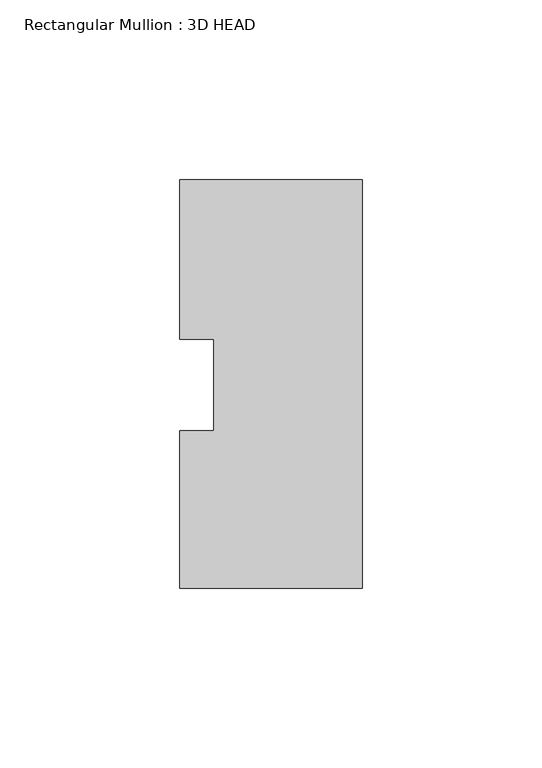
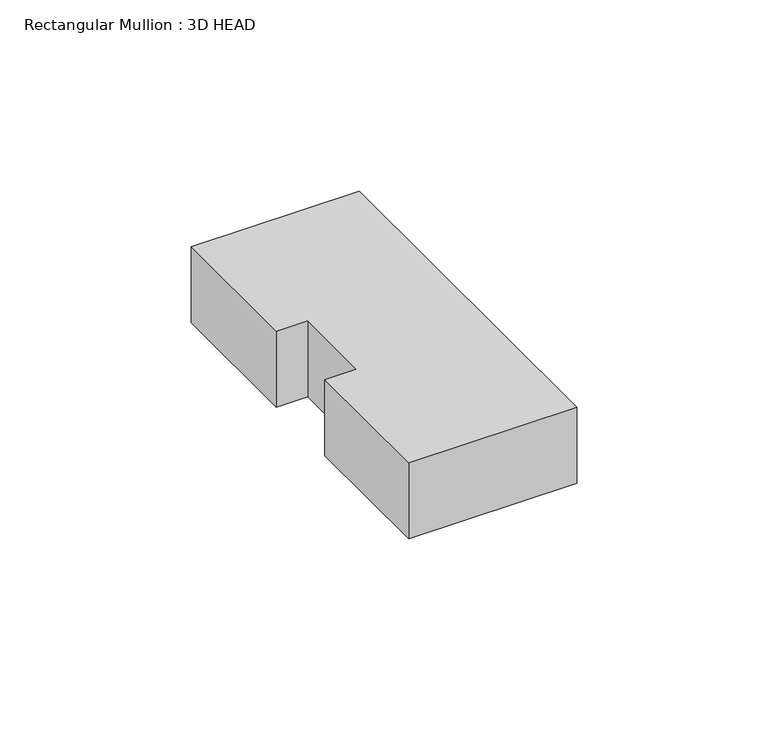
"""IFC4 building model written with IfcOpenShell, lengths in millimetres: member geometry, Rectangular Mullion : 3D HEAD."""

from ifc_helpers import new_model, si_unit, frame, origin, place, context, project, spatial, polyline, outline, extrude, source, transform, mapped, element, save


def rectangular_mullion_3d_head_11d094c9(model_context):
    return source(origin(), model_context, "Body", "SweptSolid", [
        extrude(outline(polyline([(0.0, -56.4681052), (-50.8, -56.4681052), (-50.8, -12.6827714), (-41.275, -12.6827714), (-41.275, 12.8118553), (-50.8, 12.8118553), (-50.8, 57.2618553), (0.0, 57.2618553), (0.0, -56.4681052)])), frame((0.0, 0.0, -24.2134352), z_axis=(0.0, 0.0, 1.0), x_axis=(1.0, 0.0, 0.0)), (0.0, 0.0, 1.0), 24.2134352),
    ])


if __name__ == "__main__":
    model = new_model("IFC4")
    model_context = context("Model", 3, world=origin())
    ifc_project = project(units=[si_unit("LENGTHUNIT", "METRE", prefix="MILLI")], contexts=[model_context])
    site = spatial("IfcSite", under=ifc_project)
    building = spatial("IfcBuilding", under=site)
    placement = place(None, origin())
    rectangular_mullion_3d_head_shape = rectangular_mullion_3d_head_11d094c9(model_context)
    element("IfcMember", 1, ObjectType="Rectangular Mullion : 3D HEAD", at=placement, inside=building, context=model_context, shape_type="MappedRepresentation", body=[
        mapped(rectangular_mullion_3d_head_shape, transform((0.0, 0.0, 0.0), x_axis=(1.0, 0.0, 0.0), y_axis=(0.0, 1.0, 0.0), z_axis=(0.0, 0.0, 1.0))),
    ])
    save(model, "model.ifc")
